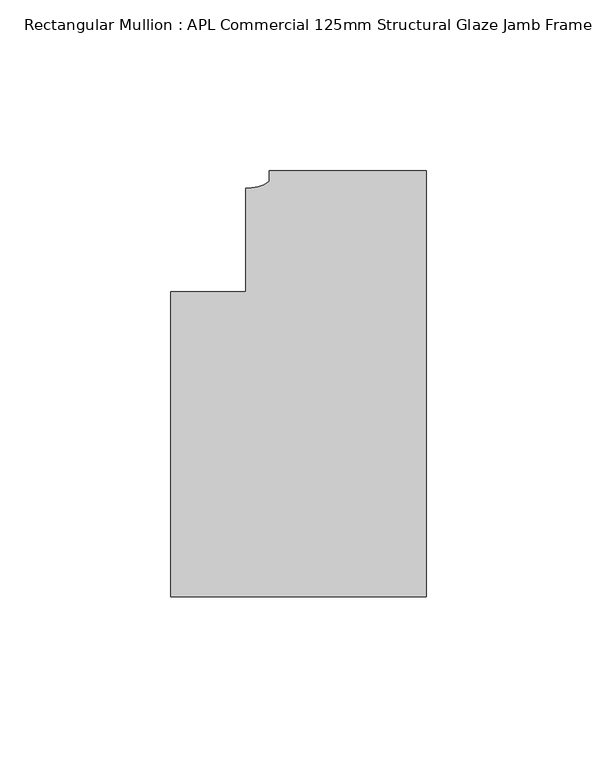
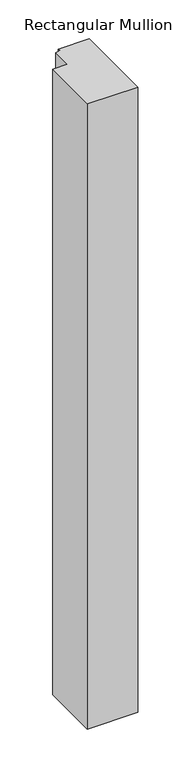
"""IFC4 building model written with IfcOpenShell, lengths in millimetres: member geometry, Rectangular Mullion : APL Commercial 125mm Structural Glaze Jamb Frame (left)."""

from ifc_helpers import new_model, si_unit, point, frame, frame_2d, origin, place, context, project, spatial, polyline, circle_curve, trimmed, segment, composite_curve, outline, extrude, source, transform, mapped, element, save


def rectangular_mullion_apl_commercial_125mm_structural_glaze_d3c1ac9d(model_context):
    return source(origin(), model_context, "Body", "SweptSolid", [
        extrude(outline(composite_curve([segment(polyline([(0.0, 20.5), (0.0, -104.5), (-75.0, -104.5), (-75.0, -15.0000829), (-52.9999391, -15.0000829), (-52.9999391, 15.3797475)]), True, "CONTINUOUS"), segment(trimmed(circle_curve(frame_2d((-52.1098019, 25.7981812)), 10.4563907), [point((-52.9999391, 15.3797475))], [point((-45.9999842, 17.3125325))], True, "CARTESIAN"), True, "CONTINUOUS"), segment(polyline([(-45.9999842, 17.3125325), (-45.9999842, 20.5), (0.0, 20.5)]), True, "CONTINUOUS")], self_intersect=False)), frame((0.0, 0.0, -983.3287873), z_axis=(0.0, 0.0, 1.0), x_axis=(1.0, 0.0, 0.0)), (0.0, 0.0, 1.0), 983.3287873),
    ])


if __name__ == "__main__":
    model = new_model("IFC4")
    model_context = context("Model", 3, world=origin())
    ifc_project = project(units=[si_unit("LENGTHUNIT", "METRE", prefix="MILLI")], contexts=[model_context])
    site = spatial("IfcSite", under=ifc_project)
    building = spatial("IfcBuilding", under=site)
    placement = place(None, origin())
    rectangular_mullion_apl_commercial_125mm_structural_glaze_shape = rectangular_mullion_apl_commercial_125mm_structural_glaze_d3c1ac9d(model_context)
    element("IfcMember", 1, ObjectType="Rectangular Mullion : APL Commercial 125mm Structural Glaze Jamb Frame (left)", at=placement, inside=building, context=model_context, shape_type="MappedRepresentation", body=[
        mapped(rectangular_mullion_apl_commercial_125mm_structural_glaze_shape, transform((0.0, 0.0, 0.0), x_axis=(1.0, 0.0, 0.0), y_axis=(0.0, 1.0, 0.0), z_axis=(0.0, 0.0, 1.0))),
    ])
    save(model, "model.ifc")
